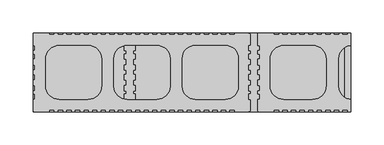
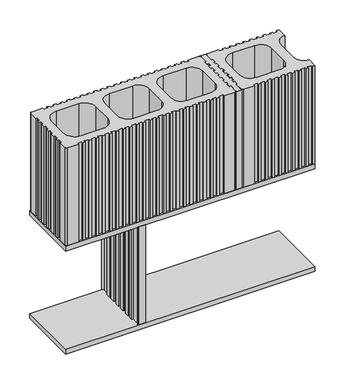
"""IFC4 building model written with IfcOpenShell, lengths in millimetres: plate geometry."""

from ifc_helpers import new_model, si_unit, point, frame, frame_2d, origin, place, context, project, spatial, polyline, circle_curve, trimmed, segment, composite_curve, outline, extrude, source, transform, mapped, element, save
from ifc_brep_helpers import plane_surface, revolved_surface, advanced_brep


def plate_ea55c4cb(model_context):
    return source(origin(), model_context, "Body", "SolidModel", [
        extrude(outline(composite_curve([segment(polyline([(114.5016312, -59.9999799), (93.0015624, -59.9999799)]), True, "CONTINUOUS"), segment(trimmed(circle_curve(frame_2d((93.0015624, -56.9999702)), 3.0000097), [point((93.0015624, -59.9999799))], [point((90.0015527, -56.9999702))], False, "CARTESIAN"), True, "CONTINUOUS"), segment(polyline([(90.0015527, -56.9999702), (90.0015527, -40.9999191), (93.0015624, -40.9999191), (93.0015624, -32.999892), (90.0015527, -32.999892), (90.0015527, -27.999875), (93.0015624, -27.999875), (93.0015624, -19.9998515), (90.0015527, -19.9998515), (90.0015527, -11.4998217), (93.0015624, -11.4998217), (93.0015624, -3.4997983), (90.0015527, -3.4997983), (90.0015527, 3.5002273), (93.0015624, 3.5002273), (93.0015624, 11.5002545), (90.0015527, 11.5002545), (90.0015527, 20.0002769), (93.0015624, 20.0002769), (93.0015624, 28.000304), (90.0015527, 28.000304), (90.0015527, 33.0003229), (93.0015624, 33.0003229), (93.0015624, 41.00035), (90.0015527, 41.00035), (90.0015527, 57.0004001)]), True, "CONTINUOUS"), segment(trimmed(circle_curve(frame_2d((93.0015578, 57.0004001)), 3.0000051), [point((90.0015527, 57.0004001))], [point((93.0015578, 60.0004053))], False, "CARTESIAN"), True, "CONTINUOUS"), segment(polyline([(93.0015578, 60.0004053), (114.5016312, 60.0004053), (114.5016312, 57.0003955), (122.5016565, 57.0003955), (122.5016565, 60.0004053), (127.5016754, 60.0004053), (127.5016754, 57.0003955), (135.5016988, 57.0003955), (135.5016988, 60.0004053), (140.5017177, 60.0004053), (140.5017177, 57.0003955), (148.5017411, 57.0003955), (148.5017411, 60.0004053), (153.5017599, 60.0004053), (153.5017599, 57.0003955), (161.5017871, 57.0003955), (161.5017871, 60.0004053), (166.5017985, 60.0004053), (166.5017985, 57.0003955), (174.5018257, 57.0003955), (174.5018257, 60.0004053), (179.5018445, 60.0004053), (179.5018445, 57.0003955), (187.5018642, 57.0003955), (187.5018642, 60.0004053), (192.5018831, 60.0004053), (192.5018831, 57.0003955), (200.5019103, 57.0003955), (200.5019103, 60.0004053), (205.5019291, 60.0004053), (205.5019291, 57.0003955), (213.5019488, 57.0003955), (213.5019488, 60.0004053), (218.5019677, 60.0004053), (218.5019677, 57.0003955), (226.5019948, 57.0003955), (226.5019948, 60.0004053), (231.5020062, 60.0004053), (231.5020062, 40.9753911)]), True, "CONTINUOUS"), segment(trimmed(circle_curve(frame_2d((232.5019775, 21.0003405)), 20.0000648), [point((231.5020062, 40.9753911))], [point((212.5019127, 21.0003405))], True, "CARTESIAN"), True, "CONTINUOUS"), segment(polyline([(212.5019127, 21.0003405), (212.5019127, -20.9999152)]), True, "CONTINUOUS"), segment(trimmed(circle_curve(frame_2d((232.5019775, -20.9999152)), 20.0000648), [point((212.5019127, -20.9999152))], [point((231.5020062, -40.9749658))], True, "CARTESIAN"), True, "CONTINUOUS"), segment(polyline([(231.5020062, -40.9749658), (231.5020062, -59.9999799), (226.5019948, -59.9999799), (226.5019948, -56.9999702), (218.5019676, -56.9999702), (218.5019676, -59.9999799), (213.5019488, -59.9999799), (213.5019488, -56.9999702), (205.5019291, -56.9999702), (205.5019291, -59.9999799), (200.5019102, -59.9999799), (200.5019102, -56.9999702), (192.5018831, -56.9999702), (192.5018831, -59.9999799), (187.5018642, -59.9999799), (187.5018642, -56.9999702), (179.5018445, -56.9999702), (179.5018445, -59.9999799), (174.5018256, -59.9999799), (174.5018256, -56.9999702), (166.5017985, -56.9999702), (166.5017985, -59.9999799), (161.5017871, -59.9999799), (161.5017871, -56.9999702), (153.5017599, -56.9999702), (153.5017599, -59.9999799), (148.5017411, -59.9999799), (148.5017411, -56.9999702), (140.5017176, -56.9999702), (140.5017176, -59.9999799), (135.5016988, -59.9999799), (135.5016988, -56.9999702), (127.5016753, -56.9999702), (127.5016753, -59.9999799), (122.5016565, -59.9999799), (122.5016565, -56.9999702), (114.5016312, -56.9999702), (114.5016312, -59.9999799)]), True, "CONTINUOUS")], self_intersect=False), holes=[composite_curve([segment(trimmed(circle_curve(frame_2d((130.0015527, -19.9999799)), 21.0), [point((109.0015527, -19.9999799))], [point((130.0015527, -40.9999799))], True, "CARTESIAN"), True, "CONTINUOUS"), segment(polyline([(130.0015527, -40.9999799), (173.0019047, -40.9999799)]), True, "CONTINUOUS"), segment(trimmed(circle_curve(frame_2d((173.0019047, -19.9999799)), 21.0), [point((173.0019047, -40.9999799))], [point((194.0019047, -19.9999799))], True, "CARTESIAN"), True, "CONTINUOUS"), segment(polyline([(194.0019047, -19.9999799), (194.0019047, 20.0004053)]), True, "CONTINUOUS"), segment(trimmed(circle_curve(frame_2d((173.0019047, 20.0004053)), 21.0), [point((194.0019047, 20.0004053))], [point((173.0019047, 41.0004053))], True, "CARTESIAN"), True, "CONTINUOUS"), segment(polyline([(173.0019047, 41.0004053), (130.0015527, 41.0004053)]), True, "CONTINUOUS"), segment(trimmed(circle_curve(frame_2d((130.0015527, 20.0004053)), 21.0), [point((130.0015527, 41.0004053))], [point((109.0015527, 20.0004053))], True, "CARTESIAN"), True, "CONTINUOUS"), segment(polyline([(109.0015527, 20.0004053), (109.0015527, -19.9999799)]), True, "CONTINUOUS")], self_intersect=False)]), frame((0.0, 0.0, 210.0), z_axis=(0.0, 0.0, 1.0), x_axis=(1.0, 0.0, 0.0)), (0.0, 0.0, 1.0), 200.0),
        extrude(outline(polyline([(231.5009276, -59.9998788), (-249.9995197, -59.9998788), (-249.9995197, 59.9998815), (231.5009276, 59.9998815), (231.5009276, -59.9998788)])), frame((0.0, 0.0, -10.0), z_axis=(0.0, 0.0, 1.0), x_axis=(1.0, 0.0, 0.0)), (0.0, 0.0, 1.0), 10.0),
        advanced_brep(
        [(-108.5000292, -40.9999178, 200.0), (-108.5000292, -56.9998835, 200.0), (-111.499917, -59.9998788, 200.0), (-95.5001414, -59.9998788, 200.0), (-98.5000292, -56.9998835, 200.0), (-98.5000292, -40.9999178, 200.0), (-95.5000143, -40.9999178, 200.0), (-95.5000143, -32.9999326, 200.0), (-98.5000292, -32.9999326, 200.0), (-98.5000292, -28.0000895, 200.0), (-95.5000143, -28.0000895, 200.0), (-95.5000143, -19.9999605, 200.0), (-98.5001448, -19.9999605, 200.0), (-98.5001448, -11.5003509, 200.0), (-95.5001351, -11.5003509, 200.0), (-95.5001351, -3.5003274, 200.0), (-98.5001448, -3.5003274, 200.0), (-98.5001448, 3.4996982, 200.0), (-95.5001351, 3.4996982, 200.0), (-95.5001351, 11.4997254, 200.0), (-98.5001448, 11.4997254, 200.0), (-98.5001448, 19.9999578, 200.0), (-95.5000143, 19.9999578, 200.0), (-95.5000143, 27.999943, 200.0), (-98.5000292, 27.999943, 200.0), (-98.5000292, 32.9999355, 200.0), (-95.5000143, 32.9999355, 200.0), (-95.5000143, 40.9999207, 200.0), (-98.5000292, 40.9999207, 200.0), (-98.5000292, 56.9998835, 200.0), (-95.5000143, 59.9998761, 200.0), (-111.5000441, 59.9998761, 200.0), (-108.5000292, 56.9998835, 200.0), (-108.5000292, 40.9999207, 200.0), (-111.5000441, 40.9999207, 200.0), (-111.5000441, 32.9999355, 200.0), (-108.5000292, 32.9999355, 200.0), (-108.5000292, 27.999943, 200.0), (-111.5000441, 27.999943, 200.0), (-111.5000441, 19.9999578, 200.0), (-108.499908, 19.9999578, 200.0), (-108.499908, 11.4997254, 200.0), (-111.4999177, 11.4997254, 200.0), (-111.4999177, 3.4996982, 200.0), (-108.499908, 3.4996982, 200.0), (-108.499908, -3.5003274, 200.0), (-111.4999177, -3.5003274, 200.0), (-111.4999177, -11.5003508, 200.0), (-108.499908, -11.5003508, 200.0), (-108.499908, -19.9999605, 200.0), (-111.5000441, -19.9999605, 200.0), (-111.5000441, -27.9999419, 200.0), (-108.5000292, -27.9999419, 200.0), (-108.5000292, -32.9999326, 200.0), (-111.5000441, -32.9999326, 200.0), (-111.5000441, -40.9999178, 200.0), (-108.5000292, -40.9999178, 0.0), (-111.5000441, -40.9999178, 0.0), (-111.5000441, -32.9999326, 0.0), (-108.5000292, -32.9999326, 0.0), (-108.5000292, -27.9999419, 0.0), (-111.5000441, -27.9999419, 0.0), (-111.5000441, -19.9999605, 0.0), (-108.499908, -19.9999605, 0.0), (-108.499908, -11.5003508, 0.0), (-111.4999177, -11.5003508, 0.0), (-111.4999177, -3.5003274, 0.0), (-108.499908, -3.5003274, 0.0), (-108.499908, 3.4996982, 0.0), (-111.4999177, 3.4996982, 0.0), (-111.4999177, 11.4997254, 0.0), (-108.499908, 11.4997254, 0.0), (-108.499908, 19.9999578, 0.0), (-111.5000441, 19.9999578, 0.0), (-111.5000441, 27.999943, 0.0), (-108.5000292, 27.999943, 0.0), (-108.5000292, 32.9999355, 0.0), (-111.5000441, 32.9999355, 0.0), (-111.5000441, 40.9999207, 0.0), (-108.5000292, 40.9999207, 0.0), (-108.5000292, 56.9998835, 0.0), (-111.5000441, 59.9998761, 0.0), (-95.5000143, 59.9998761, 0.0), (-98.5000292, 56.9998835, 0.0), (-98.5000292, 40.9999207, 0.0), (-95.5000143, 40.9999207, 0.0), (-95.5000143, 32.9999355, 0.0), (-98.5000292, 32.9999355, 0.0), (-98.5000292, 27.999943, 0.0), (-95.5000143, 27.999943, 0.0), (-95.5000143, 19.9999578, 0.0), (-98.5001448, 19.9999578, 0.0), (-98.5001448, 11.4997254, 0.0), (-95.5001351, 11.4997254, 0.0), (-95.5001351, 3.4996982, 0.0), (-98.5001448, 3.4996982, 0.0), (-98.5001448, -3.5003274, 0.0), (-95.5001351, -3.5003274, 0.0), (-95.5001351, -11.5003509, 0.0), (-98.5001448, -11.5003509, 0.0), (-98.5001448, -19.9999605, 0.0), (-95.5000143, -19.9999605, 0.0), (-95.5000143, -28.0000895, 0.0), (-98.5000292, -28.0000895, 0.0), (-98.5000292, -32.9999326, 0.0), (-95.5000143, -32.9999326, 0.0), (-95.5000143, -40.9999178, 0.0), (-98.5000292, -40.9999178, 0.0), (-98.5000292, -56.9998835, 0.0), (-95.5001414, -59.9998788, 0.0), (-111.499917, -59.9998788, 0.0), (-108.5000292, -56.9998835, 0.0)],
        [
            (0, 1),
            (1, 2, circle_curve(frame((-111.437997, -57.0619088, 200.0), z_axis=(0.0, 0.0, -1.0), x_axis=(1.0, 0.0, 0.0)), 2.9386225)),
            (2, 3),
            (3, 4, circle_curve(frame((-95.5620614, -57.0619088, 200.0), z_axis=(0.0, 0.0, -1.0), x_axis=(1.0, 0.0, 0.0)), 2.9386225)),
            (4, 5),
            (5, 6),
            (6, 7),
            (7, 8),
            (8, 9),
            (9, 10),
            (10, 11),
            (11, 12),
            (12, 13),
            (13, 14),
            (14, 15),
            (15, 16),
            (16, 17),
            (17, 18),
            (18, 19),
            (19, 20),
            (20, 21),
            (21, 22),
            (22, 23),
            (23, 24),
            (24, 25),
            (25, 26),
            (26, 27),
            (27, 28),
            (28, 29),
            (29, 30, circle_curve(frame((-95.5620614, 57.0619088, 200.0), z_axis=(0.0, 0.0, -1.0), x_axis=(1.0, 0.0, 0.0)), 2.9386225)),
            (30, 31),
            (31, 32, circle_curve(frame((-111.437997, 57.0619088, 200.0), z_axis=(0.0, 0.0, -1.0), x_axis=(1.0, 0.0, 0.0)), 2.9386225)),
            (32, 33),
            (33, 34),
            (34, 35),
            (35, 36),
            (36, 37),
            (37, 38),
            (38, 39),
            (39, 40),
            (40, 41),
            (41, 42),
            (42, 43),
            (43, 44),
            (44, 45),
            (45, 46),
            (46, 47),
            (47, 48),
            (48, 49),
            (49, 50),
            (50, 51),
            (51, 52),
            (52, 53),
            (53, 54),
            (54, 55),
            (55, 0),
            (56, 57),
            (57, 58),
            (58, 59),
            (59, 60),
            (60, 61),
            (61, 62),
            (62, 63),
            (63, 64),
            (64, 65),
            (65, 66),
            (66, 67),
            (67, 68),
            (68, 69),
            (69, 70),
            (70, 71),
            (71, 72),
            (72, 73),
            (73, 74),
            (74, 75),
            (75, 76),
            (76, 77),
            (77, 78),
            (78, 79),
            (79, 80),
            (80, 81, circle_curve(frame((-111.437997, 57.0619088, 0.0), z_axis=(0.0, 0.0, 1.0), x_axis=(1.0, 0.0, 0.0)), 2.9386225)),
            (81, 82),
            (82, 83, circle_curve(frame((-95.5620614, 57.0619088, 0.0), z_axis=(0.0, 0.0, 1.0), x_axis=(1.0, 0.0, 0.0)), 2.9386225)),
            (83, 84),
            (84, 85),
            (85, 86),
            (86, 87),
            (87, 88),
            (88, 89),
            (89, 90),
            (90, 91),
            (91, 92),
            (92, 93),
            (93, 94),
            (94, 95),
            (95, 96),
            (96, 97),
            (97, 98),
            (98, 99),
            (99, 100),
            (100, 101),
            (101, 102),
            (102, 103),
            (103, 104),
            (104, 105),
            (105, 106),
            (106, 107),
            (107, 108),
            (108, 109, circle_curve(frame((-95.5620614, -57.0619088, 0.0), z_axis=(0.0, 0.0, 1.0), x_axis=(1.0, 0.0, 0.0)), 2.9386225)),
            (109, 110),
            (110, 111, circle_curve(frame((-111.437997, -57.0619088, 0.0), z_axis=(0.0, 0.0, 1.0), x_axis=(1.0, 0.0, 0.0)), 2.9386225)),
            (111, 56),
            (0, 56),
            (111, 1),
            (110, 2),
            (109, 3),
            (108, 4),
            (107, 5),
            (28, 84),
            (83, 29),
            (82, 30),
            (81, 31),
            (80, 32),
            (79, 33),
            (106, 6),
            (105, 7),
            (104, 8),
            (103, 9),
            (102, 10),
            (101, 11),
            (100, 12),
            (21, 91),
            (90, 22),
            (89, 23),
            (88, 24),
            (87, 25),
            (86, 26),
            (85, 27),
            (78, 34),
            (77, 35),
            (76, 36),
            (75, 37),
            (74, 38),
            (73, 39),
            (72, 40),
            (49, 63),
            (62, 50),
            (61, 51),
            (60, 52),
            (59, 53),
            (58, 54),
            (57, 55),
            (99, 13),
            (98, 14),
            (97, 15),
            (96, 16),
            (95, 17),
            (94, 18),
            (93, 19),
            (92, 20),
            (71, 41),
            (70, 42),
            (69, 43),
            (68, 44),
            (67, 45),
            (66, 46),
            (65, 47),
            (64, 48),
        ],
        [
            plane_surface(frame((-108.5000292, -56.9998835, 200.0), z_axis=(0.0, 0.0, 1.0), x_axis=(0.0, -1.0, 0.0))),
            plane_surface(frame((-108.5000292, -56.9998835, 0.0), z_axis=(0.0, 0.0, -1.0), x_axis=(0.0, 1.0, 0.0))),
            plane_surface(frame((-108.5000292, -40.9999178, 200.0), z_axis=(-1.0, 0.0, 0.0), x_axis=(0.0, 0.0, -1.0))),
            revolved_surface(polyline([(-108.4993745, -57.0619088, 0.0), (-108.4993745, -57.0619088, 200.0)]), (-111.437997, -57.0619088, 0.0), (0.0, 0.0, -1.0)),
            plane_surface(frame((-111.499917, -59.9998788, 200.0), z_axis=(0.0, -1.0, 0.0), x_axis=(0.0, 0.0, -1.0))),
            revolved_surface(polyline([(-92.62343890000001, -57.0619088, 0.0), (-92.62343890000001, -57.0619088, 200.0)]), (-95.5620614, -57.0619088, 0.0), (0.0, 0.0, -1.0)),
            plane_surface(frame((-98.5000292, -56.9998835, 200.0), z_axis=(1.0, 0.0, 0.0), x_axis=(0.0, 0.0, -1.0))),
            plane_surface(frame((-98.5000292, 40.9999207, 200.0), z_axis=(1.0, -6.314272111635997e-12, 0.0), x_axis=(0.0, 0.0, -1.0))),
            revolved_surface(polyline([(-92.62343890000001, 57.0619088, 0.0), (-92.62343890000001, 57.0619088, 200.0)]), (-95.5620614, 57.0619088, 0.0), (0.0, 0.0, -1.0)),
            plane_surface(frame((-95.5000143, 59.9998761, 200.0), z_axis=(0.0, 1.0, 0.0), x_axis=(0.0, 0.0, -1.0))),
            revolved_surface(polyline([(-108.4993745, 57.0619088, 0.0), (-108.4993745, 57.0619088, 200.0)]), (-111.437997, 57.0619088, 0.0), (0.0, 0.0, -1.0)),
            plane_surface(frame((-108.5000292, 56.9998835, 200.0), z_axis=(-1.0, 0.0, 0.0), x_axis=(0.0, 0.0, -1.0))),
            plane_surface(frame((-98.5000292, -40.9999178, 200.0), z_axis=(0.0, -1.0, 0.0), x_axis=(0.0, 0.0, -1.0))),
            plane_surface(frame((-95.5000143, -40.9999178, 200.0), z_axis=(1.0, 0.0, 0.0), x_axis=(0.0, 0.0, -1.0))),
            plane_surface(frame((-95.5000143, -32.9999326, 200.0), z_axis=(0.0, 1.0, 0.0), x_axis=(0.0, 0.0, -1.0))),
            plane_surface(frame((-98.5000292, -32.9999326, 200.0), z_axis=(1.0, 0.0, 0.0), x_axis=(0.0, 0.0, -1.0))),
            plane_surface(frame((-98.5000292, -28.0000895, 200.0), z_axis=(0.0, -1.0, 0.0), x_axis=(0.0, 0.0, -1.0))),
            plane_surface(frame((-95.5000143, -28.0000895, 200.0), z_axis=(1.0, 0.0, 0.0), x_axis=(0.0, 0.0, -1.0))),
            plane_surface(frame((-95.5000143, -19.9999605, 200.0), z_axis=(0.0, 1.0, 0.0), x_axis=(0.0, 0.0, -1.0))),
            plane_surface(frame((-98.5001448, 19.9999578, 200.0), z_axis=(0.0, -1.0, 0.0), x_axis=(0.0, 0.0, -1.0))),
            plane_surface(frame((-95.5000143, 19.9999578, 200.0), z_axis=(1.0, 0.0, 0.0), x_axis=(0.0, 0.0, -1.0))),
            plane_surface(frame((-95.5000143, 27.999943, 200.0), z_axis=(0.0, 1.0, 0.0), x_axis=(0.0, 0.0, -1.0))),
            plane_surface(frame((-98.5000292, 27.999943, 200.0), z_axis=(1.0, 0.0, 0.0), x_axis=(0.0, 0.0, -1.0))),
            plane_surface(frame((-98.5000292, 32.9999355, 200.0), z_axis=(0.0, -1.0, 0.0), x_axis=(0.0, 0.0, -1.0))),
            plane_surface(frame((-95.5000143, 32.9999355, 200.0), z_axis=(1.0, 0.0, 0.0), x_axis=(0.0, 0.0, -1.0))),
            plane_surface(frame((-95.5000143, 40.9999207, 200.0), z_axis=(0.0, 1.0, 0.0), x_axis=(0.0, 0.0, -1.0))),
            plane_surface(frame((-108.5000292, 40.9999207, 200.0), z_axis=(0.0, 1.0, 0.0), x_axis=(0.0, 0.0, -1.0))),
            plane_surface(frame((-111.5000441, 40.9999207, 200.0), z_axis=(-1.0, 0.0, 0.0), x_axis=(0.0, 0.0, -1.0))),
            plane_surface(frame((-111.5000441, 32.9999355, 200.0), z_axis=(0.0, -1.0, 0.0), x_axis=(0.0, 0.0, -1.0))),
            plane_surface(frame((-108.5000292, 32.9999355, 200.0), z_axis=(-1.0, 0.0, 0.0), x_axis=(0.0, 0.0, -1.0))),
            plane_surface(frame((-108.5000292, 27.999943, 200.0), z_axis=(0.0, 1.0, 0.0), x_axis=(0.0, 0.0, -1.0))),
            plane_surface(frame((-111.5000441, 27.999943, 200.0), z_axis=(-1.0, 0.0, 0.0), x_axis=(0.0, 0.0, -1.0))),
            plane_surface(frame((-111.5000441, 19.9999578, 200.0), z_axis=(0.0, -1.0, 0.0), x_axis=(0.0, 0.0, -1.0))),
            plane_surface(frame((-108.499908, -19.9999605, 200.0), z_axis=(0.0, 1.0, 0.0), x_axis=(0.0, 0.0, -1.0))),
            plane_surface(frame((-111.5000441, -19.9999605, 200.0), z_axis=(-1.0, 0.0, 0.0), x_axis=(0.0, 0.0, -1.0))),
            plane_surface(frame((-111.5000441, -27.9999419, 200.0), z_axis=(0.0, -1.0, 0.0), x_axis=(0.0, 0.0, -1.0))),
            plane_surface(frame((-108.5000292, -27.9999419, 200.0), z_axis=(-1.0, 0.0, 0.0), x_axis=(0.0, 0.0, -1.0))),
            plane_surface(frame((-108.5000292, -32.9999326, 200.0), z_axis=(0.0, 1.0, 0.0), x_axis=(0.0, 0.0, -1.0))),
            plane_surface(frame((-111.5000441, -32.9999326, 200.0), z_axis=(-1.0, 0.0, 0.0), x_axis=(0.0, 0.0, -1.0))),
            plane_surface(frame((-111.5000441, -40.9999178, 200.0), z_axis=(0.0, -1.0, 0.0), x_axis=(0.0, 0.0, -1.0))),
            plane_surface(frame((-98.5001448, -19.9999605, 200.0), z_axis=(1.0, 0.0, 0.0), x_axis=(0.0, 0.0, -1.0))),
            plane_surface(frame((-98.5001448, -11.5003509, 200.0), z_axis=(0.0, -1.0, 0.0), x_axis=(0.0, 0.0, -1.0))),
            plane_surface(frame((-95.5001351, -11.5003509, 200.0), z_axis=(1.0, 0.0, 0.0), x_axis=(0.0, 0.0, -1.0))),
            plane_surface(frame((-95.5001351, -3.5003274, 200.0), z_axis=(0.0, 1.0, 0.0), x_axis=(0.0, 0.0, -1.0))),
            plane_surface(frame((-98.5001448, -3.5003274, 200.0), z_axis=(1.0, 0.0, 0.0), x_axis=(0.0, 0.0, -1.0))),
            plane_surface(frame((-98.5001448, 3.4996982, 200.0), z_axis=(0.0, -1.0, 0.0), x_axis=(0.0, 0.0, -1.0))),
            plane_surface(frame((-95.5001351, 3.4996982, 200.0), z_axis=(1.0, 0.0, 0.0), x_axis=(0.0, 0.0, -1.0))),
            plane_surface(frame((-95.5001351, 11.4997254, 200.0), z_axis=(0.0, 1.0, 0.0), x_axis=(0.0, 0.0, -1.0))),
            plane_surface(frame((-98.5001448, 11.4997254, 200.0), z_axis=(1.0, 0.0, 0.0), x_axis=(0.0, 0.0, -1.0))),
            plane_surface(frame((-108.499908, 19.9999578, 200.0), z_axis=(-1.0, 0.0, 0.0), x_axis=(0.0, 0.0, -1.0))),
            plane_surface(frame((-108.499908, 11.4997254, 200.0), z_axis=(0.0, 1.0, 0.0), x_axis=(0.0, 0.0, -1.0))),
            plane_surface(frame((-111.4999177, 11.4997254, 200.0), z_axis=(-1.0, 0.0, 0.0), x_axis=(0.0, 0.0, -1.0))),
            plane_surface(frame((-111.4999177, 3.4996982, 200.0), z_axis=(0.0, -1.0, 0.0), x_axis=(0.0, 0.0, -1.0))),
            plane_surface(frame((-108.499908, 3.4996982, 200.0), z_axis=(-1.0, 0.0, 0.0), x_axis=(0.0, 0.0, -1.0))),
            plane_surface(frame((-108.499908, -3.5003274, 200.0), z_axis=(0.0, 1.0, 0.0), x_axis=(0.0, 0.0, -1.0))),
            plane_surface(frame((-111.4999177, -3.5003274, 200.0), z_axis=(-1.0, 0.0, 0.0), x_axis=(0.0, 0.0, -1.0))),
            plane_surface(frame((-111.4999177, -11.5003508, 200.0), z_axis=(0.0, -1.0, 0.0), x_axis=(0.0, 0.0, -1.0))),
            plane_surface(frame((-108.499908, -11.5003508, 200.0), z_axis=(-1.0, 0.0, 0.0), x_axis=(0.0, 0.0, -1.0))),
        ],
        [
            (0, [[1, 2, 3, 4, 5, 6, 7, 8, 9, 10, 11, 12, 13, 14, 15, 16, 17, 18, 19, 20, 21, 22, 23, 24, 25, 26, 27, 28, 29, 30, 31, 32, 33, 34, 35, 36, 37, 38, 39, 40, 41, 42, 43, 44, 45, 46, 47, 48, 49, 50, 51, 52, 53, 54, 55, 56]]),
            (1, [[57, 58, 59, 60, 61, 62, 63, 64, 65, 66, 67, 68, 69, 70, 71, 72, 73, 74, 75, 76, 77, 78, 79, 80, 81, 82, 83, 84, 85, 86, 87, 88, 89, 90, 91, 92, 93, 94, 95, 96, 97, 98, 99, 100, 101, 102, 103, 104, 105, 106, 107, 108, 109, 110, 111, 112]]),
            (2, [[-1, 113, -112, 114]]),
            (3, [[-2, -114, -111, 115]]),
            (4, [[-3, -115, -110, 116]]),
            (5, [[-4, -116, -109, 117]]),
            (6, [[-5, -117, -108, 118]]),
            (7, [[-29, 119, -84, 120]]),
            (8, [[-30, -120, -83, 121]]),
            (9, [[-31, -121, -82, 122]]),
            (10, [[-32, -122, -81, 123]]),
            (11, [[-33, -123, -80, 124]]),
            (12, [[-6, -118, -107, 125]]),
            (13, [[-7, -125, -106, 126]]),
            (14, [[-8, -126, -105, 127]]),
            (15, [[-9, -127, -104, 128]]),
            (16, [[-10, -128, -103, 129]]),
            (17, [[-11, -129, -102, 130]]),
            (18, [[-12, -130, -101, 131]]),
            (19, [[-22, 132, -91, 133]]),
            (20, [[-23, -133, -90, 134]]),
            (21, [[-24, -134, -89, 135]]),
            (22, [[-25, -135, -88, 136]]),
            (23, [[-26, -136, -87, 137]]),
            (24, [[-27, -137, -86, 138]]),
            (25, [[-28, -138, -85, -119]]),
            (26, [[-34, -124, -79, 139]]),
            (27, [[-35, -139, -78, 140]]),
            (28, [[-36, -140, -77, 141]]),
            (29, [[-37, -141, -76, 142]]),
            (30, [[-38, -142, -75, 143]]),
            (31, [[-39, -143, -74, 144]]),
            (32, [[-40, -144, -73, 145]]),
            (33, [[-50, 146, -63, 147]]),
            (34, [[-51, -147, -62, 148]]),
            (35, [[-52, -148, -61, 149]]),
            (36, [[-53, -149, -60, 150]]),
            (37, [[-54, -150, -59, 151]]),
            (38, [[-55, -151, -58, 152]]),
            (39, [[-56, -152, -57, -113]]),
            (40, [[-13, -131, -100, 153]]),
            (41, [[-14, -153, -99, 154]]),
            (42, [[-15, -154, -98, 155]]),
            (43, [[-16, -155, -97, 156]]),
            (44, [[-17, -156, -96, 157]]),
            (45, [[-18, -157, -95, 158]]),
            (46, [[-19, -158, -94, 159]]),
            (47, [[-20, -159, -93, 160]]),
            (48, [[-21, -160, -92, -132]]),
            (49, [[-41, -145, -72, 161]]),
            (50, [[-42, -161, -71, 162]]),
            (51, [[-43, -162, -70, 163]]),
            (52, [[-44, -163, -69, 164]]),
            (53, [[-45, -164, -68, 165]]),
            (54, [[-46, -165, -67, 166]]),
            (55, [[-47, -166, -66, 167]]),
            (56, [[-48, -167, -65, 168]]),
            (57, [[-49, -168, -64, -146]]),
        ],
    ),
        extrude(outline(polyline([(-249.9995197, 59.9998801), (231.5009276, 59.9998801), (231.5009276, -59.9998788), (-249.9995197, -59.9998788), (-249.9995197, 59.9998801)]), holes=[polyline([(221.5009275, 44.9999121), (-239.9995197, 44.9999121), (-239.9995197, -44.9999108), (221.5009275, -44.9999108), (221.5009275, 44.9999121)])]), frame((0.0, 0.0, 200.0), z_axis=(0.0, 0.0, 1.0), x_axis=(1.0, 0.0, 0.0)), (0.0, 0.0, 1.0), 10.0),
        advanced_brep(
        [(89.9998399, -56.9998849, 410.0), (89.9998399, -40.9999191, 410.0), (92.9998548, -40.9999191, 410.0), (92.9998548, -32.999934, 410.0), (89.9998399, -32.999934, 410.0), (89.9998399, -27.9999433, 410.0), (92.9998548, -27.9999433, 410.0), (92.9998548, -19.9999618, 410.0), (89.9981271, -19.9999618, 410.0), (89.9981271, -11.4998217, 410.0), (92.9981368, -11.4998217, 410.0), (92.9981368, -3.4997983, 410.0), (89.9981271, -3.4997983, 410.0), (89.9981271, 3.5002273, 410.0), (92.9981368, 3.5002273, 410.0), (92.9981368, 11.5002545, 410.0), (89.9981271, 11.5002545, 410.0), (89.9981271, 19.9999565, 410.0), (92.9998548, 19.9999565, 410.0), (92.9998548, 27.9999416, 410.0), (89.9998399, 27.9999416, 410.0), (89.9998399, 32.9999342, 410.0), (92.9998548, 32.9999342, 410.0), (92.9998548, 40.9999193, 410.0), (89.9998399, 40.9999193, 410.0), (89.9998399, 56.9998821, 410.0), (92.9995342, 59.9998815, 410.0), (77.0001493, 59.9998815, 410.0), (79.9998399, 56.9998821, 410.0), (79.9998399, 40.9999193, 410.0), (76.999825, 40.9999193, 410.0), (76.999825, 32.9999342, 410.0), (79.9998399, 32.9999342, 410.0), (79.9998399, 27.9999416, 410.0), (76.999825, 27.9999416, 410.0), (76.999825, 19.9999565, 410.0), (80.0015527, 19.9999565, 410.0), (80.0015527, 11.5002545, 410.0), (77.0015429, 11.5002545, 410.0), (77.0015429, 3.5002273, 410.0), (80.0015527, 3.5002273, 410.0), (80.0015527, -3.4997983, 410.0), (77.0015429, -3.4997983, 410.0), (77.0015429, -11.4998217, 410.0), (80.0015527, -11.4998217, 410.0), (80.0015527, -19.9999618, 410.0), (76.999825, -19.9999618, 410.0), (76.999825, -27.9999433, 410.0), (79.9998399, -27.9999433, 410.0), (79.9998399, -32.999934, 410.0), (76.999825, -32.999934, 410.0), (76.999825, -40.9999191, 410.0), (79.9998399, -40.9999191, 410.0), (79.9998399, -56.9998849, 410.0), (76.9998878, -59.9998788, 410.0), (92.999792, -59.9998788, 410.0), (89.9998399, -56.9998849, 210.0), (92.999792, -59.9998788, 210.0), (76.9998878, -59.9998788, 210.0), (79.9998399, -56.9998849, 210.0), (79.9998399, -40.9999191, 210.0), (76.999825, -40.9999191, 210.0), (76.999825, -32.999934, 210.0), (79.9998399, -32.999934, 210.0), (79.9998399, -27.9999433, 210.0), (76.999825, -27.9999433, 210.0), (76.999825, -19.9999618, 210.0), (80.0015527, -19.9999618, 210.0), (80.0015527, -11.4998217, 210.0), (77.0015429, -11.4998217, 210.0), (77.0015429, -3.4997983, 210.0), (80.0015527, -3.4997983, 210.0), (80.0015527, 3.5002273, 210.0), (77.0015429, 3.5002273, 210.0), (77.0015429, 11.5002545, 210.0), (80.0015527, 11.5002545, 210.0), (80.0015527, 19.9999565, 210.0), (76.999825, 19.9999565, 210.0), (76.999825, 27.9999416, 210.0), (79.9998399, 27.9999416, 210.0), (79.9998399, 32.9999342, 210.0), (76.999825, 32.9999342, 210.0), (76.999825, 40.9999193, 210.0), (79.9998399, 40.9999193, 210.0), (79.9998399, 56.9998821, 210.0), (77.0001493, 59.9998815, 210.0), (92.9995342, 59.9998815, 210.0), (89.9998399, 56.9998821, 210.0), (89.9998399, 40.9999193, 210.0), (92.9998548, 40.9999193, 210.0), (92.9998548, 32.9999342, 210.0), (89.9998399, 32.9999342, 210.0), (89.9998399, 27.9999416, 210.0), (92.9998548, 27.9999416, 210.0), (92.9998548, 19.9999565, 210.0), (89.9981271, 19.9999565, 210.0), (89.9981271, 11.5002545, 210.0), (92.9981368, 11.5002545, 210.0), (92.9981368, 3.5002273, 210.0), (89.9981271, 3.5002273, 210.0), (89.9981271, -3.4997983, 210.0), (92.9981368, -3.4997983, 210.0), (92.9981368, -11.4998217, 210.0), (89.9981271, -11.4998217, 210.0), (89.9981271, -19.9999618, 210.0), (92.9998548, -19.9999618, 210.0), (92.9998548, -27.9999433, 210.0), (89.9998399, -27.9999433, 210.0), (89.9998399, -32.999934, 210.0), (92.9998548, -32.999934, 210.0), (92.9998548, -40.9999191, 210.0), (89.9998399, -40.9999191, 210.0)],
        [
            (0, 1),
            (1, 2),
            (2, 3),
            (3, 4),
            (4, 5),
            (5, 6),
            (6, 7),
            (7, 8),
            (8, 9),
            (9, 10),
            (10, 11),
            (11, 12),
            (12, 13),
            (13, 14),
            (14, 15),
            (15, 16),
            (16, 17),
            (17, 18),
            (18, 19),
            (19, 20),
            (20, 21),
            (21, 22),
            (22, 23),
            (23, 24),
            (24, 25),
            (25, 26, circle_curve(frame((92.9378077, 57.0619074, 410.0), z_axis=(0.0, 0.0, -1.0), x_axis=(0.0, 1.0, 0.0)), 2.9386225)),
            (26, 27),
            (27, 28, circle_curve(frame((77.0618721, 57.0619073, 410.0), z_axis=(0.0, 0.0, -1.0), x_axis=(0.0, 1.0, 0.0)), 2.9386225)),
            (28, 29),
            (29, 30),
            (30, 31),
            (31, 32),
            (32, 33),
            (33, 34),
            (34, 35),
            (35, 36),
            (36, 37),
            (37, 38),
            (38, 39),
            (39, 40),
            (40, 41),
            (41, 42),
            (42, 43),
            (43, 44),
            (44, 45),
            (45, 46),
            (46, 47),
            (47, 48),
            (48, 49),
            (49, 50),
            (50, 51),
            (51, 52),
            (52, 53),
            (53, 54, circle_curve(frame((77.0618721, -57.0619101, 410.0), z_axis=(0.0, 0.0, -1.0), x_axis=(0.0, 1.0, 0.0)), 2.9386225)),
            (54, 55),
            (55, 0, circle_curve(frame((92.9378077, -57.0619101, 410.0), z_axis=(0.0, 0.0, -1.0), x_axis=(0.0, 1.0, 0.0)), 2.9386225)),
            (56, 57, circle_curve(frame((92.9378077, -57.0619101, 210.0), z_axis=(0.0, 0.0, 1.0), x_axis=(0.0, 1.0, 0.0)), 2.9386225)),
            (57, 58),
            (58, 59, circle_curve(frame((77.0618721, -57.0619101, 210.0), z_axis=(0.0, 0.0, 1.0), x_axis=(0.0, 1.0, 0.0)), 2.9386225)),
            (59, 60),
            (60, 61),
            (61, 62),
            (62, 63),
            (63, 64),
            (64, 65),
            (65, 66),
            (66, 67),
            (67, 68),
            (68, 69),
            (69, 70),
            (70, 71),
            (71, 72),
            (72, 73),
            (73, 74),
            (74, 75),
            (75, 76),
            (76, 77),
            (77, 78),
            (78, 79),
            (79, 80),
            (80, 81),
            (81, 82),
            (82, 83),
            (83, 84),
            (84, 85, circle_curve(frame((77.0618721, 57.0619073, 210.0), z_axis=(0.0, 0.0, 1.0), x_axis=(0.0, 1.0, 0.0)), 2.9386225)),
            (85, 86),
            (86, 87, circle_curve(frame((92.9378077, 57.0619074, 210.0), z_axis=(0.0, 0.0, 1.0), x_axis=(0.0, 1.0, 0.0)), 2.9386225)),
            (87, 88),
            (88, 89),
            (89, 90),
            (90, 91),
            (91, 92),
            (92, 93),
            (93, 94),
            (94, 95),
            (95, 96),
            (96, 97),
            (97, 98),
            (98, 99),
            (99, 100),
            (100, 101),
            (101, 102),
            (102, 103),
            (103, 104),
            (104, 105),
            (105, 106),
            (106, 107),
            (107, 108),
            (108, 109),
            (109, 110),
            (110, 111),
            (111, 56),
            (0, 56),
            (111, 1),
            (26, 86),
            (85, 27),
            (28, 84),
            (83, 29),
            (52, 60),
            (59, 53),
            (54, 58),
            (57, 55),
            (25, 87),
            (82, 30),
            (81, 31),
            (80, 32),
            (79, 33),
            (78, 34),
            (77, 35),
            (76, 36),
            (45, 67),
            (66, 46),
            (65, 47),
            (64, 48),
            (63, 49),
            (62, 50),
            (61, 51),
            (75, 37),
            (74, 38),
            (73, 39),
            (72, 40),
            (71, 41),
            (70, 42),
            (69, 43),
            (68, 44),
            (110, 2),
            (109, 3),
            (108, 4),
            (107, 5),
            (106, 6),
            (105, 7),
            (104, 8),
            (103, 9),
            (102, 10),
            (101, 11),
            (100, 12),
            (99, 13),
            (98, 14),
            (97, 15),
            (96, 16),
            (95, 17),
            (94, 18),
            (93, 19),
            (92, 20),
            (91, 21),
            (90, 22),
            (89, 23),
            (88, 24),
        ],
        [
            plane_surface(frame((89.9998399, -40.9999191, 410.0), z_axis=(0.0, 0.0, 1.0), x_axis=(0.0, 1.0, 0.0))),
            plane_surface(frame((89.9998399, -40.9999191, 210.0), z_axis=(0.0, 0.0, -1.0), x_axis=(0.0, -1.0, 0.0))),
            plane_surface(frame((89.9998399, -56.9998849, 410.0), z_axis=(1.0, 0.0, 0.0), x_axis=(0.0, 0.0, -1.0))),
            plane_surface(frame((92.9995342, 59.9998815, 410.0), z_axis=(0.0, 1.0, 0.0), x_axis=(0.0, 0.0, -1.0))),
            plane_surface(frame((79.9998399, 56.9998821, 410.0), z_axis=(-1.0, 0.0, 0.0), x_axis=(0.0, 0.0, -1.0))),
            plane_surface(frame((79.9998399, -40.9999191, 410.0), z_axis=(-1.0, 0.0, 0.0), x_axis=(0.0, 0.0, -1.0))),
            plane_surface(frame((76.9998878, -59.9998788, 410.0), z_axis=(0.0, -1.0, 0.0), x_axis=(0.0, 0.0, -1.0))),
            revolved_surface(polyline([(92.9378077, 60.000529900000004, 210.0), (92.9378077, 60.000529900000004, 410.0)]), (92.9378077, 57.0619074, 210.0), (0.0, 0.0, -1.0)),
            revolved_surface(polyline([(77.0618721, 60.0005298, 210.0), (77.0618721, 60.0005298, 410.0)]), (77.0618721, 57.0619073, 210.0), (0.0, 0.0, -1.0)),
            revolved_surface(polyline([(77.0618721, -54.1232876, 210.0), (77.0618721, -54.1232876, 410.0)]), (77.0618721, -57.0619101, 210.0), (0.0, 0.0, -1.0)),
            revolved_surface(polyline([(92.9378077, -54.1232876, 210.0), (92.9378077, -54.1232876, 410.0)]), (92.9378077, -57.0619101, 210.0), (0.0, 0.0, -1.0)),
            plane_surface(frame((79.9998399, 40.9999193, 410.0), z_axis=(0.0, 1.0, 0.0), x_axis=(0.0, 0.0, -1.0))),
            plane_surface(frame((76.999825, 40.9999193, 410.0), z_axis=(-1.0, 0.0, 0.0), x_axis=(0.0, 0.0, -1.0))),
            plane_surface(frame((76.999825, 32.9999342, 410.0), z_axis=(0.0, -1.0, 0.0), x_axis=(0.0, 0.0, -1.0))),
            plane_surface(frame((79.9998399, 32.9999342, 410.0), z_axis=(-1.0, 0.0, 0.0), x_axis=(0.0, 0.0, -1.0))),
            plane_surface(frame((79.9998399, 27.9999416, 410.0), z_axis=(0.0, 1.0, 0.0), x_axis=(0.0, 0.0, -1.0))),
            plane_surface(frame((76.999825, 27.9999416, 410.0), z_axis=(-1.0, 0.0, 0.0), x_axis=(0.0, 0.0, -1.0))),
            plane_surface(frame((76.999825, 19.9999565, 410.0), z_axis=(0.0, -1.0, 0.0), x_axis=(0.0, 0.0, -1.0))),
            plane_surface(frame((80.0015527, -19.9999618, 410.0), z_axis=(0.0, 1.0, 0.0), x_axis=(0.0, 0.0, -1.0))),
            plane_surface(frame((76.999825, -19.9999618, 410.0), z_axis=(-1.0, 0.0, 0.0), x_axis=(0.0, 0.0, -1.0))),
            plane_surface(frame((76.999825, -27.9999433, 410.0), z_axis=(0.0, -1.0, 0.0), x_axis=(0.0, 0.0, -1.0))),
            plane_surface(frame((79.9998399, -27.9999433, 410.0), z_axis=(-1.0, 0.0, 0.0), x_axis=(0.0, 0.0, -1.0))),
            plane_surface(frame((79.9998399, -32.999934, 410.0), z_axis=(0.0, 1.0, 0.0), x_axis=(0.0, 0.0, -1.0))),
            plane_surface(frame((76.999825, -32.999934, 410.0), z_axis=(-1.0, 0.0, 0.0), x_axis=(0.0, 0.0, -1.0))),
            plane_surface(frame((76.999825, -40.9999191, 410.0), z_axis=(0.0, -1.0, 0.0), x_axis=(0.0, 0.0, -1.0))),
            plane_surface(frame((80.0015527, 19.9999565, 410.0), z_axis=(-1.0, 0.0, 0.0), x_axis=(0.0, 0.0, -1.0))),
            plane_surface(frame((80.0015527, 11.5002545, 410.0), z_axis=(0.0, 1.0, 0.0), x_axis=(0.0, 0.0, -1.0))),
            plane_surface(frame((77.0015429, 11.5002545, 410.0), z_axis=(-1.0, 0.0, 0.0), x_axis=(0.0, 0.0, -1.0))),
            plane_surface(frame((77.0015429, 3.5002273, 410.0), z_axis=(0.0, -1.0, 0.0), x_axis=(0.0, 0.0, -1.0))),
            plane_surface(frame((80.0015527, 3.5002273, 410.0), z_axis=(-1.0, 0.0, 0.0), x_axis=(0.0, 0.0, -1.0))),
            plane_surface(frame((80.0015527, -3.4997983, 410.0), z_axis=(0.0, 1.0, 0.0), x_axis=(0.0, 0.0, -1.0))),
            plane_surface(frame((77.0015429, -3.4997983, 410.0), z_axis=(-1.0, 0.0, 0.0), x_axis=(0.0, 0.0, -1.0))),
            plane_surface(frame((77.0015429, -11.4998217, 410.0), z_axis=(0.0, -1.0, 0.0), x_axis=(0.0, 0.0, -1.0))),
            plane_surface(frame((80.0015527, -11.4998217, 410.0), z_axis=(-1.0, 0.0, 0.0), x_axis=(0.0, 0.0, -1.0))),
            plane_surface(frame((89.9998399, -40.9999191, 410.0), z_axis=(0.0, -1.0, 0.0), x_axis=(0.0, 0.0, -1.0))),
            plane_surface(frame((92.9998548, -40.9999191, 410.0), z_axis=(1.0, 0.0, 0.0), x_axis=(0.0, 0.0, -1.0))),
            plane_surface(frame((92.9998548, -32.999934, 410.0), z_axis=(0.0, 1.0, 0.0), x_axis=(0.0, 0.0, -1.0))),
            plane_surface(frame((89.9998399, -32.999934, 410.0), z_axis=(1.0, 0.0, 0.0), x_axis=(0.0, 0.0, -1.0))),
            plane_surface(frame((89.9998399, -27.9999433, 410.0), z_axis=(0.0, -1.0, 0.0), x_axis=(0.0, 0.0, -1.0))),
            plane_surface(frame((92.9998548, -27.9999433, 410.0), z_axis=(1.0, 0.0, 0.0), x_axis=(0.0, 0.0, -1.0))),
            plane_surface(frame((92.9998548, -19.9999618, 410.0), z_axis=(0.0, 1.0, 0.0), x_axis=(0.0, 0.0, -1.0))),
            plane_surface(frame((89.9981271, -19.9999618, 410.0), z_axis=(1.0, 0.0, 0.0), x_axis=(0.0, 0.0, -1.0))),
            plane_surface(frame((89.9981271, -11.4998217, 410.0), z_axis=(0.0, -1.0, 0.0), x_axis=(0.0, 0.0, -1.0))),
            plane_surface(frame((92.9981368, -11.4998217, 410.0), z_axis=(1.0, 0.0, 0.0), x_axis=(0.0, 0.0, -1.0))),
            plane_surface(frame((92.9981368, -3.4997983, 410.0), z_axis=(0.0, 1.0, 0.0), x_axis=(0.0, 0.0, -1.0))),
            plane_surface(frame((89.9981271, -3.4997983, 410.0), z_axis=(1.0, 0.0, 0.0), x_axis=(0.0, 0.0, -1.0))),
            plane_surface(frame((89.9981271, 3.5002273, 410.0), z_axis=(0.0, -1.0, 0.0), x_axis=(0.0, 0.0, -1.0))),
            plane_surface(frame((92.9981368, 3.5002273, 410.0), z_axis=(1.0, 0.0, 0.0), x_axis=(0.0, 0.0, -1.0))),
            plane_surface(frame((92.9981368, 11.5002545, 410.0), z_axis=(0.0, 1.0, 0.0), x_axis=(0.0, 0.0, -1.0))),
            plane_surface(frame((89.9981271, 11.5002545, 410.0), z_axis=(1.0, 0.0, 0.0), x_axis=(0.0, 0.0, -1.0))),
            plane_surface(frame((89.9981271, 19.9999565, 410.0), z_axis=(0.0, -1.0, 0.0), x_axis=(0.0, 0.0, -1.0))),
            plane_surface(frame((92.9998548, 19.9999565, 410.0), z_axis=(1.0, 0.0, 0.0), x_axis=(0.0, 0.0, -1.0))),
            plane_surface(frame((92.9998548, 27.9999416, 410.0), z_axis=(0.0, 1.0, 0.0), x_axis=(0.0, 0.0, -1.0))),
            plane_surface(frame((89.9998399, 27.9999416, 410.0), z_axis=(1.0, 0.0, 0.0), x_axis=(0.0, 0.0, -1.0))),
            plane_surface(frame((89.9998399, 32.9999342, 410.0), z_axis=(0.0, -1.0, 0.0), x_axis=(0.0, 0.0, -1.0))),
            plane_surface(frame((92.9998548, 32.9999342, 410.0), z_axis=(1.0, 0.0, 0.0), x_axis=(0.0, 0.0, -1.0))),
            plane_surface(frame((92.9998548, 40.9999193, 410.0), z_axis=(0.0, 1.0, 0.0), x_axis=(0.0, 0.0, -1.0))),
            plane_surface(frame((89.9998399, 40.9999193, 410.0), z_axis=(1.0, 4.645553082377555e-12, 0.0), x_axis=(0.0, 0.0, -1.0))),
        ],
        [
            (0, [[1, 2, 3, 4, 5, 6, 7, 8, 9, 10, 11, 12, 13, 14, 15, 16, 17, 18, 19, 20, 21, 22, 23, 24, 25, 26, 27, 28, 29, 30, 31, 32, 33, 34, 35, 36, 37, 38, 39, 40, 41, 42, 43, 44, 45, 46, 47, 48, 49, 50, 51, 52, 53, 54, 55, 56]]),
            (1, [[57, 58, 59, 60, 61, 62, 63, 64, 65, 66, 67, 68, 69, 70, 71, 72, 73, 74, 75, 76, 77, 78, 79, 80, 81, 82, 83, 84, 85, 86, 87, 88, 89, 90, 91, 92, 93, 94, 95, 96, 97, 98, 99, 100, 101, 102, 103, 104, 105, 106, 107, 108, 109, 110, 111, 112]]),
            (2, [[-1, 113, -112, 114]]),
            (3, [[-27, 115, -86, 116]]),
            (4, [[-29, 117, -84, 118]]),
            (5, [[-53, 119, -60, 120]]),
            (6, [[-55, 121, -58, 122]]),
            (7, [[-26, 123, -87, -115]]),
            (8, [[-28, -116, -85, -117]]),
            (9, [[-54, -120, -59, -121]]),
            (10, [[-56, -122, -57, -113]]),
            (11, [[-30, -118, -83, 124]]),
            (12, [[-31, -124, -82, 125]]),
            (13, [[-32, -125, -81, 126]]),
            (14, [[-33, -126, -80, 127]]),
            (15, [[-34, -127, -79, 128]]),
            (16, [[-35, -128, -78, 129]]),
            (17, [[-36, -129, -77, 130]]),
            (18, [[-46, 131, -67, 132]]),
            (19, [[-47, -132, -66, 133]]),
            (20, [[-48, -133, -65, 134]]),
            (21, [[-49, -134, -64, 135]]),
            (22, [[-50, -135, -63, 136]]),
            (23, [[-51, -136, -62, 137]]),
            (24, [[-52, -137, -61, -119]]),
            (25, [[-37, -130, -76, 138]]),
            (26, [[-38, -138, -75, 139]]),
            (27, [[-39, -139, -74, 140]]),
            (28, [[-40, -140, -73, 141]]),
            (29, [[-41, -141, -72, 142]]),
            (30, [[-42, -142, -71, 143]]),
            (31, [[-43, -143, -70, 144]]),
            (32, [[-44, -144, -69, 145]]),
            (33, [[-45, -145, -68, -131]]),
            (34, [[-2, -114, -111, 146]]),
            (35, [[-3, -146, -110, 147]]),
            (36, [[-4, -147, -109, 148]]),
            (37, [[-5, -148, -108, 149]]),
            (38, [[-6, -149, -107, 150]]),
            (39, [[-7, -150, -106, 151]]),
            (40, [[-8, -151, -105, 152]]),
            (41, [[-9, -152, -104, 153]]),
            (42, [[-10, -153, -103, 154]]),
            (43, [[-11, -154, -102, 155]]),
            (44, [[-12, -155, -101, 156]]),
            (45, [[-13, -156, -100, 157]]),
            (46, [[-14, -157, -99, 158]]),
            (47, [[-15, -158, -98, 159]]),
            (48, [[-16, -159, -97, 160]]),
            (49, [[-17, -160, -96, 161]]),
            (50, [[-18, -161, -95, 162]]),
            (51, [[-19, -162, -94, 163]]),
            (52, [[-20, -163, -93, 164]]),
            (53, [[-21, -164, -92, 165]]),
            (54, [[-22, -165, -91, 166]]),
            (55, [[-23, -166, -90, 167]]),
            (56, [[-24, -167, -89, 168]]),
            (57, [[-25, -168, -88, -123]]),
        ],
    ),
        extrude(outline(composite_curve([segment(polyline([(-225.4994411, -59.9999799), (-246.99951, -59.9999799)]), True, "CONTINUOUS"), segment(trimmed(circle_curve(frame_2d((-246.99951, -56.9999702)), 3.0000097), [point((-246.99951, -59.9999799))], [point((-249.9995197, -56.9999702))], False, "CARTESIAN"), True, "CONTINUOUS"), segment(polyline([(-249.9995197, -56.9999702), (-249.9995197, -40.9999191), (-246.9995099, -40.9999191), (-246.9995099, -32.999892), (-249.9995197, -32.999892), (-249.9995197, -27.999875), (-246.9995099, -27.999875), (-246.9995099, -19.9998515), (-249.9995197, -19.9998515), (-249.9995197, -11.4998217), (-246.9995099, -11.4998217), (-246.9995099, -3.4997983), (-249.9995197, -3.4997983), (-249.9995197, 3.5002273), (-246.9995099, 3.5002273), (-246.9995099, 11.5002545), (-249.9995197, 11.5002545), (-249.9995197, 20.0002769), (-246.9995099, 20.0002769), (-246.9995099, 28.000304), (-249.9995197, 28.000304), (-249.9995197, 33.0003229), (-246.9995099, 33.0003229), (-246.9995099, 41.00035), (-249.9995197, 41.00035), (-249.9995197, 57.0004001)]), True, "CONTINUOUS"), segment(trimmed(circle_curve(frame_2d((-246.9995146, 57.0004001)), 3.0000051), [point((-249.9995197, 57.0004001))], [point((-246.9995146, 60.0004053))], False, "CARTESIAN"), True, "CONTINUOUS"), segment(polyline([(-246.9995146, 60.0004053), (-225.4994411, 60.0004053), (-225.4994411, 57.0003955), (-217.4994158, 57.0003955), (-217.4994158, 60.0004053), (-212.499397, 60.0004053), (-212.499397, 57.0003955), (-204.4993735, 57.0003955), (-204.4993735, 60.0004053), (-199.4993547, 60.0004053), (-199.4993547, 57.0003955), (-191.4993312, 57.0003955), (-191.4993312, 60.0004053), (-186.4993124, 60.0004053), (-186.4993124, 57.0003955), (-178.4992852, 57.0003955), (-178.4992852, 60.0004053), (-173.4992738, 60.0004053), (-173.4992738, 57.0003955), (-165.4992467, 57.0003955), (-165.4992467, 60.0004053), (-160.4992278, 60.0004053), (-160.4992278, 57.0003955), (-152.4992081, 57.0003955), (-152.4992081, 60.0004053), (-147.4991893, 60.0004053), (-147.4991893, 57.0003955), (-139.4991621, 57.0003955), (-139.4991621, 60.0004053), (-134.4991432, 60.0004053), (-134.4991432, 57.0003955), (-126.4991235, 57.0003955), (-126.4991235, 60.0004053), (-121.4991047, 60.0004053), (-121.4991047, 57.0003955), (-113.4990775, 57.0003955), (-113.4990775, 60.0004053), (-108.4990661, 60.0004053), (-108.4990661, 57.0003955), (-100.4990389, 57.0003955), (-100.4990389, 60.0004053), (-95.4990275, 60.0004053), (-95.4990275, 57.0003955), (-87.4990004, 57.0003955), (-87.4990004, 60.0004053), (-82.4989741, 60.0004053), (-82.4989741, 57.0003955), (-74.4989469, 57.0003955), (-74.4989469, 60.0004053), (-69.4989355, 60.0004053), (-69.4989355, 57.0003955), (-61.4989083, 57.0003955), (-61.4989083, 60.0004053), (-56.498897, 60.0004053), (-56.498897, 57.0003955), (-48.4988698, 57.0003955), (-48.4988698, 60.0004053), (-43.4988584, 60.0004053), (-43.4988584, 57.0003955), (-35.4988312, 57.0003955), (-35.4988312, 60.0004053), (-30.4988049, 60.0004053), (-30.4988049, 57.0003955), (-22.4987778, 57.0003955), (-22.4987778, 60.0004053), (-17.4987664, 60.0004053), (-17.4987664, 57.0003955), (-9.4987392, 57.0003955), (-9.4987392, 60.0004053), (-4.4987278, 60.0004053), (-4.4987278, 57.0003955), (3.5013143, 57.0003955), (3.5013143, 60.0004053), (8.5013257, 60.0004053), (8.5013257, 57.0003955), (16.5013379, 57.0003955), (16.5013379, 60.0004053), (21.5013493, 60.0004053), (21.5013493, 57.0003955), (29.5013914, 57.0003955), (29.5013914, 60.0004053), (34.5014028, 60.0004053), (34.5014028, 57.0003955), (42.5014151, 57.0003955), (42.5014151, 60.0004053), (47.5014563, 60.0004053), (47.5014563, 57.0003955), (55.5014685, 57.0003955), (55.5014685, 60.0004053), (77.0015475, 60.0004053)]), True, "CONTINUOUS"), segment(trimmed(circle_curve(frame_2d((77.0015475, 57.0004001)), 3.0000051), [point((77.0015475, 60.0004053))], [point((80.0015527, 57.0004001))], False, "CARTESIAN"), True, "CONTINUOUS"), segment(polyline([(80.0015527, 57.0004001), (80.0015527, 41.00035), (77.0015429, 41.00035), (77.0015429, 33.0003229), (80.0015527, 33.0003229), (80.0015527, 28.000304), (77.0015429, 28.000304), (77.0015429, 20.0002769), (80.0015527, 20.0002769), (80.0015527, 11.5002545), (77.0015429, 11.5002545), (77.0015429, 3.5002273), (80.0015527, 3.5002273), (80.0015527, -3.4997983), (77.0015429, -3.4997983), (77.0015429, -11.4998217), (80.0015527, -11.4998217), (80.0015527, -19.9998515), (77.0015429, -19.9998515), (77.0015429, -27.999875), (80.0015527, -27.999875), (80.0015527, -32.999892), (77.0015429, -32.999892), (77.0015429, -40.9999191), (80.0015527, -40.9999191), (80.0015526, -56.9999702)]), True, "CONTINUOUS"), segment(trimmed(circle_curve(frame_2d((77.0015429, -56.9999702)), 3.0000097), [point((80.0015526, -56.9999702))], [point((77.0015429, -59.9999799))], False, "CARTESIAN"), True, "CONTINUOUS"), segment(polyline([(77.0015429, -59.9999799), (55.5014685, -59.9999799), (55.5014685, -56.9999702), (47.5014563, -56.9999702), (47.5014563, -59.9999799), (42.5014151, -59.9999799), (42.5014151, -56.9999702), (34.5014028, -56.9999702), (34.5014028, -59.9999799), (29.5013914, -59.9999799), (29.5013914, -56.9999702), (21.5013493, -56.9999702), (21.5013493, -59.9999799), (16.5013379, -59.9999799), (16.5013379, -56.9999702), (8.5013257, -56.9999702), (8.5013257, -59.9999799), (3.5013143, -59.9999799), (3.5013143, -56.9999702), (-4.4987278, -56.9999702), (-4.4987278, -59.9999799), (-9.4987392, -59.9999799), (-9.4987392, -56.9999702), (-17.4987664, -56.9999702), (-17.4987664, -59.9999799), (-22.4987778, -59.9999799), (-22.4987778, -56.9999702), (-30.4988049, -56.9999702), (-30.4988049, -59.9999799), (-35.4988312, -59.9999799), (-35.4988312, -56.9999702), (-43.4988584, -56.9999702), (-43.4988584, -59.9999799), (-48.4988698, -59.9999799), (-48.4988698, -56.9999702), (-56.498897, -56.9999702), (-56.498897, -59.9999799), (-61.4989083, -59.9999799), (-61.4989083, -56.9999702), (-69.4989355, -56.9999702), (-69.4989355, -59.9999799), (-74.4989469, -59.9999799), (-74.4989469, -56.9999702), (-82.4989741, -56.9999702), (-82.4989741, -59.9999799), (-87.4990004, -59.9999799), (-87.4990004, -56.9999702), (-95.4990275, -56.9999702), (-95.4990275, -59.9999799), (-100.4990389, -59.9999799), (-100.4990389, -56.9999702), (-108.4990661, -56.9999702), (-108.4990661, -59.9999799), (-113.4990775, -59.9999799), (-113.4990775, -56.9999702), (-121.4991047, -56.9999702), (-121.4991047, -59.9999799), (-126.4991235, -59.9999799), (-126.4991235, -56.9999702), (-134.4991432, -56.9999702), (-134.4991432, -59.9999799), (-139.4991621, -59.9999799), (-139.4991621, -56.9999702), (-147.4991893, -56.9999702), (-147.4991893, -59.9999799), (-152.4992081, -59.9999799), (-152.4992081, -56.9999702), (-160.4992278, -56.9999702), (-160.4992278, -59.9999799), (-165.4992467, -59.9999799), (-165.4992467, -56.9999702), (-173.4992738, -56.9999702), (-173.4992738, -59.9999799), (-178.4992852, -59.9999799), (-178.4992852, -56.9999702), (-186.4993124, -56.9999702), (-186.4993124, -59.9999799), (-191.4993312, -59.9999799), (-191.4993312, -56.9999702), (-199.4993547, -56.9999702), (-199.4993547, -59.9999799), (-204.4993735, -59.9999799), (-204.4993735, -56.9999702), (-212.499397, -56.9999702), (-212.499397, -59.9999799), (-217.4994158, -59.9999799), (-217.4994158, -56.9999702), (-225.4994411, -56.9999702), (-225.4994411, -59.9999799)]), True, "CONTINUOUS")], self_intersect=False), holes=[composite_curve([segment(trimmed(circle_curve(frame_2d((-209.9995197, -19.9999799)), 21.0), [point((-230.9995197, -19.9999799))], [point((-209.9995197, -40.9999799))], True, "CARTESIAN"), True, "CONTINUOUS"), segment(polyline([(-209.9995197, -40.9999799), (-166.9991676, -40.9999799)]), True, "CONTINUOUS"), segment(trimmed(circle_curve(frame_2d((-166.9991676, -19.9999799)), 21.0), [point((-166.9991676, -40.9999799))], [point((-145.9991676, -19.9999799))], True, "CARTESIAN"), True, "CONTINUOUS"), segment(polyline([(-145.9991676, -19.9999799), (-145.9991676, 20.0004053)]), True, "CONTINUOUS"), segment(trimmed(circle_curve(frame_2d((-166.9991676, 20.0004053)), 21.0), [point((-145.9991676, 20.0004053))], [point((-166.9991676, 41.0004053))], True, "CARTESIAN"), True, "CONTINUOUS"), segment(polyline([(-166.9991676, 41.0004053), (-209.9995197, 41.0004053)]), True, "CONTINUOUS"), segment(trimmed(circle_curve(frame_2d((-209.9995197, 20.0004053)), 21.0), [point((-209.9995197, 41.0004053))], [point((-230.9995197, 20.0004053))], True, "CARTESIAN"), True, "CONTINUOUS"), segment(polyline([(-230.9995197, 20.0004053), (-230.9995197, -19.9999799)]), True, "CONTINUOUS")], self_intersect=False), composite_curve([segment(trimmed(circle_curve(frame_2d((-107.4990948, -20.9999152)), 20.0000648), [point((-127.4991596, -20.9999152))], [point((-107.4990948, -40.9999799))], True, "CARTESIAN"), True, "CONTINUOUS"), segment(polyline([(-107.4990948, -40.9999799), (-62.4988722, -40.9999799)]), True, "CONTINUOUS"), segment(trimmed(circle_curve(frame_2d((-62.4988722, -20.9999152)), 20.0000648), [point((-62.4988722, -40.9999799))], [point((-42.4988074, -20.9999152))], True, "CARTESIAN"), True, "CONTINUOUS"), segment(polyline([(-42.4988074, -20.9999152), (-42.4988074, 21.0003405)]), True, "CONTINUOUS"), segment(trimmed(circle_curve(frame_2d((-62.4988722, 21.0003405)), 20.0000648), [point((-42.4988074, 21.0003405))], [point((-62.4988722, 41.0004053))], True, "CARTESIAN"), True, "CONTINUOUS"), segment(polyline([(-62.4988722, 41.0004053), (-107.4990948, 41.0004053)]), True, "CONTINUOUS"), segment(trimmed(circle_curve(frame_2d((-107.4990948, 21.0003405)), 20.0000648), [point((-107.4990948, 41.0004053))], [point((-127.4991596, 21.0003405))], True, "CARTESIAN"), True, "CONTINUOUS"), segment(polyline([(-127.4991596, 21.0003405), (-127.4991596, -20.9999152)]), True, "CONTINUOUS")], self_intersect=False), composite_curve([segment(polyline([(-23.998792, 21.0003405), (-23.998792, -20.9999152)]), True, "CONTINUOUS"), segment(trimmed(circle_curve(frame_2d((-3.9987272, -20.9999152)), 20.0000648), [point((-23.998792, -20.9999152))], [point((-3.9987272, -40.9999799))], True, "CARTESIAN"), True, "CONTINUOUS"), segment(polyline([(-3.9987272, -40.9999799), (41.0014953, -40.9999799)]), True, "CONTINUOUS"), segment(trimmed(circle_curve(frame_2d((41.0014953, -20.9999152)), 20.0000648), [point((41.0014953, -40.9999799))], [point((61.0015601, -20.9999152))], True, "CARTESIAN"), True, "CONTINUOUS"), segment(polyline([(61.0015601, -20.9999152), (61.0015601, 21.0003405)]), True, "CONTINUOUS"), segment(trimmed(circle_curve(frame_2d((41.0014953, 21.0003405)), 20.0000648), [point((61.0015601, 21.0003405))], [point((41.0014953, 41.0004053))], True, "CARTESIAN"), True, "CONTINUOUS"), segment(polyline([(41.0014953, 41.0004053), (-3.9987272, 41.0004053)]), True, "CONTINUOUS"), segment(trimmed(circle_curve(frame_2d((-3.9987272, 21.0003405)), 20.0000648), [point((-3.9987272, 41.0004053))], [point((-23.998792, 21.0003405))], True, "CARTESIAN"), True, "CONTINUOUS")], self_intersect=False)]), frame((0.0, 0.0, 210.0), z_axis=(0.0, 0.0, 1.0), x_axis=(1.0, 0.0, 0.0)), (0.0, 0.0, 1.0), 200.0),
    ])


if __name__ == "__main__":
    model = new_model("IFC4")
    model_context = context("Model", 3, world=origin())
    ifc_project = project(units=[si_unit("LENGTHUNIT", "METRE", prefix="MILLI")], contexts=[model_context])
    site = spatial("IfcSite", under=ifc_project)
    building = spatial("IfcBuilding", under=site)
    placement = place(None, origin())
    plate_shape = plate_ea55c4cb(model_context)
    element("IfcPlate", 1, at=placement, inside=building, context=model_context, shape_type="MappedRepresentation", body=[
        mapped(plate_shape, transform((0.0, 0.0, 0.0), x_axis=(1.0, 0.0, 0.0), y_axis=(0.0, 1.0, 0.0), z_axis=(0.0, 0.0, 1.0))),
    ])
    save(model, "model.ifc")
